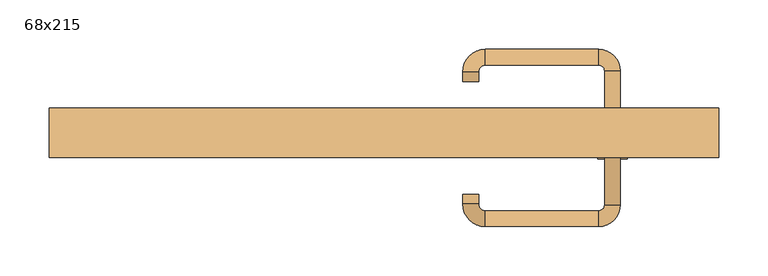
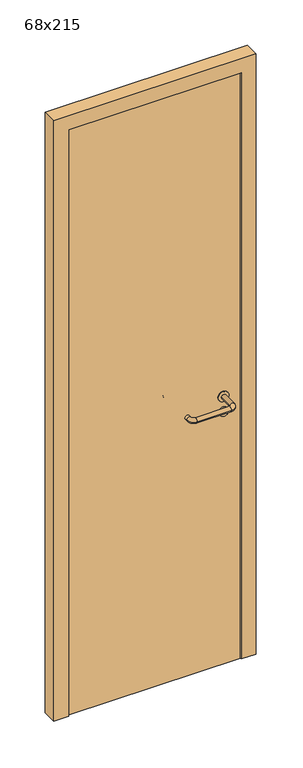
"""IFC4 building model written with IfcOpenShell, lengths in millimetres: door geometry, 68x215."""

import ifcopenshell
import ifcopenshell.guid

model = None  # the IFC model being written
_history = None  # IfcOwnerHistory: only IFC2X3 demands one
_inside = {}  # id of a spatial element -> (the spatial element, [elements in it])
_under = {}  # id of a project, library or spatial element -> (it, [spatial elements below it])
_declared = {}  # id of a project -> (the project, [libraries it declares])
_typed = {}  # id of a type object -> (the type object, [elements of that type])
_made_of = {}  # id of a material, layer set ... -> (it, [elements and type objects made of it])


def new_model(schema):
    """Start an empty IFC model of exactly this schema.

    Asked for "IFC4X3", IfcOpenShell would pick the latest addendum, in which some entities
    have other attributes; the version numbers below select the first issue.
    IFC2X3 requires an IfcOwnerHistory on every rooted entity: one is made here for all.
    """
    global model, _history
    if schema == "IFC4X3":
        model = ifcopenshell.file(schema_version=(4, 3, 0, 0))
    else:
        model = ifcopenshell.file(schema=schema)
    _inside.clear()
    _under.clear()
    _declared.clear()
    _typed.clear()
    _made_of.clear()
    _history = None
    if model.schema == "IFC2X3":
        org = make("IfcOrganization", Name="unknown")
        user = make(
            "IfcPersonAndOrganization",
            ThePerson=make("IfcPerson", FamilyName="unknown"),
            TheOrganization=org,
        )
        app = make(
            "IfcApplication",
            ApplicationDeveloper=org,
            Version="unknown",
            ApplicationFullName="unknown",
            ApplicationIdentifier="unknown",
        )
        _history = make(
            "IfcOwnerHistory",
            OwningUser=user,
            OwningApplication=app,
            ChangeAction="ADDED",
            CreationDate=0,
        )
    return model


def make(cls, **values):
    """One entity of the class cls with the attributes given. An attribute that is None is left unset."""
    return model.create_entity(
        cls, **{name: value for name, value in values.items() if value is not None}
    )


def rooted(cls, **values):
    """An entity with a GlobalId (a new one), such as an element, a storey or a relation."""
    return make(cls, GlobalId=ifcopenshell.guid.new(), OwnerHistory=_history, **values)


def si_unit(unit_type, name, prefix=None):
    """IfcSIUnit, for example si_unit("LENGTHUNIT", "METRE", prefix="MILLI")."""
    return make("IfcSIUnit", UnitType=unit_type, Prefix=prefix, Name=name)


def assignment(units):
    """IfcUnitAssignment: the units of a project."""
    return None if units is None else make("IfcUnitAssignment", Units=units)


def point(xyz):
    """IfcCartesianPoint."""
    return None if xyz is None else make("IfcCartesianPoint", Coordinates=xyz)


def direction(xyz):
    """IfcDirection."""
    return None if xyz is None else make("IfcDirection", DirectionRatios=xyz)


def frame(location, z_axis=None, x_axis=None):
    """IfcAxis2Placement3D, a coordinate frame: its origin and axes. An axis left out is left unset."""
    return make(
        "IfcAxis2Placement3D",
        Location=point(location),
        Axis=direction(z_axis),
        RefDirection=direction(x_axis),
    )


def frame_2d(location, x_axis=None):
    """IfcAxis2Placement2D, a coordinate frame in the plane: its origin and x axis."""
    return make(
        "IfcAxis2Placement2D", Location=point(location), RefDirection=direction(x_axis)
    )


def origin():
    """The frame at (0, 0, 0) with its axes left unset."""
    return frame((0.0, 0.0, 0.0))


def origin_with_axes():
    """The frame at (0, 0, 0) with the z axis (0, 0, 1) and the x axis (1, 0, 0) written out."""
    return frame((0.0, 0.0, 0.0), z_axis=(0.0, 0.0, 1.0), x_axis=(1.0, 0.0, 0.0))


def place(relative_to, where):
    """IfcLocalPlacement: puts the frame where relative to a parent placement (None: the world)."""
    return make(
        "IfcLocalPlacement", PlacementRelTo=relative_to, RelativePlacement=where
    )


def context(
    kind, dimensions, precision=None, world=None, true_north=None, identifier=None
):
    """IfcGeometricRepresentationContext, for example the 3D "Model" context."""
    return make(
        "IfcGeometricRepresentationContext",
        ContextIdentifier=identifier,
        ContextType=kind,
        CoordinateSpaceDimension=dimensions,
        Precision=precision,
        WorldCoordinateSystem=world,
        TrueNorth=true_north,
    )


def project(units=None, contexts=None):
    """IfcProject with its units and contexts."""
    return rooted(
        "IfcProject",
        Name="project",
        RepresentationContexts=contexts,
        UnitsInContext=assignment(units),
    )


def spatial(cls, under=None, at=None, **own):
    """A site, building, storey or space (cls), placed at a placement, below another one or the project."""
    s = rooted(cls, ObjectPlacement=at, **own)
    if under is not None:
        _under.setdefault(under.id(), (under, []))[1].append(s)
    return s


def polyline(points):
    """IfcPolyline through the points."""
    return make("IfcPolyline", Points=[point(p) for p in points])


def circle_curve(where, radius):
    """IfcCircle in the frame where."""
    return make("IfcCircle", Position=where, Radius=radius)


def ellipse_curve(where, semi_axis1, semi_axis2):
    """IfcEllipse in the frame where."""
    return make(
        "IfcEllipse", Position=where, SemiAxis1=semi_axis1, SemiAxis2=semi_axis2
    )


def trimmed(basis, trim1, trim2, sense, master):
    """IfcTrimmedCurve: the piece of a basis curve between two trims."""
    return make(
        "IfcTrimmedCurve",
        BasisCurve=basis,
        Trim1=trim1,
        Trim2=trim2,
        SenseAgreement=sense,
        MasterRepresentation=master,
    )


def segment(curve, same_sense, transition):
    """IfcCompositeCurveSegment."""
    return make(
        "IfcCompositeCurveSegment",
        Transition=transition,
        SameSense=same_sense,
        ParentCurve=curve,
    )


def composite_curve(segments, self_intersect=None):
    """IfcCompositeCurve: segments joined end to end."""
    return make("IfcCompositeCurve", Segments=segments, SelfIntersect=self_intersect)


def outline(outer, holes=None, kind="AREA"):
    """IfcArbitraryClosedProfileDef: a profile drawn as a closed curve; with holes, ...WithVoids."""
    if holes is None:
        return make("IfcArbitraryClosedProfileDef", ProfileType=kind, OuterCurve=outer)
    return make(
        "IfcArbitraryProfileDefWithVoids",
        ProfileType=kind,
        OuterCurve=outer,
        InnerCurves=holes,
    )


def extrude(swept, where, along, depth):
    """IfcExtrudedAreaSolid: the profile swept, set in the frame where, extruded along a direction by depth."""
    return make(
        "IfcExtrudedAreaSolid",
        SweptArea=swept,
        Position=where,
        ExtrudedDirection=direction(along),
        Depth=depth,
    )


def shape(context_of_items, identifier, shape_type, items):
    """IfcShapeRepresentation: the items that make up one representation, for example the "Body"."""
    return make(
        "IfcShapeRepresentation",
        ContextOfItems=context_of_items,
        RepresentationIdentifier=identifier,
        RepresentationType=shape_type,
        Items=items,
    )


def source(mapping_origin, context_of_items, identifier, shape_type, items):
    """IfcRepresentationMap: a shape defined once, which mapped items show again and again."""
    return make(
        "IfcRepresentationMap",
        MappingOrigin=mapping_origin,
        MappedRepresentation=shape(context_of_items, identifier, shape_type, items),
    )


def transform(
    local_origin,
    x_axis=None,
    y_axis=None,
    z_axis=None,
    scale=None,
    scale2=None,
    scale3=None,
    uniform=True,
):
    """IfcCartesianTransformationOperator3D, or its non-uniform kind. x_axis, y_axis, z_axis: its Axis1, 2, 3."""
    if uniform:
        return make(
            "IfcCartesianTransformationOperator3D",
            Axis1=direction(x_axis),
            Axis2=direction(y_axis),
            LocalOrigin=point(local_origin),
            Scale=scale,
            Axis3=direction(z_axis),
        )
    return make(
        "IfcCartesianTransformationOperator3DnonUniform",
        Axis1=direction(x_axis),
        Axis2=direction(y_axis),
        LocalOrigin=point(local_origin),
        Scale=scale,
        Axis3=direction(z_axis),
        Scale2=scale2,
        Scale3=scale3,
    )


def mapped(mapping_source, mapping_target):
    """IfcMappedItem: shows the shape of a source again, moved by a transform."""
    return make(
        "IfcMappedItem", MappingSource=mapping_source, MappingTarget=mapping_target
    )


def made_of(thing, what):
    """Note that an element or type object is made of a material, layer set ...; save() writes the relation."""
    if what is not None:
        _made_of.setdefault(what.id(), (what, []))[1].append(thing)
    return thing


def element(
    cls,
    number,
    at=None,
    inside=None,
    cuts=None,
    type_object=None,
    material=None,
    context=None,
    identifier="Body",
    shape_type=None,
    held_by="IfcProductDefinitionShape",
    body=None,
    shapes=None,
    **own,
):
    """One element of the class cls, such as IfcWall. Its Tag is "e" and its number.

    at: its placement. inside: the storey or other place that contains it. cuts: it is an
    opening in that element (IfcRelVoidsElement). A single representation is given by context,
    identifier, shape_type and body (its items); several are given by shapes. held_by: the class
    of the entity that holds the representations. save() writes the other relations.
    """
    e = rooted(cls, Tag="e%d" % number, ObjectPlacement=at, **own)
    if body is not None:
        shapes = [shape(context, identifier, shape_type, body)]
    if shapes is not None:
        e.Representation = make(held_by, Representations=shapes)
    if inside is not None:
        _inside.setdefault(inside.id(), (inside, []))[1].append(e)
    if cuts is not None:
        rooted(
            "IfcRelVoidsElement", RelatingBuildingElement=cuts, RelatedOpeningElement=e
        )
    if type_object is not None:
        _typed.setdefault(type_object.id(), (type_object, []))[1].append(e)
    return made_of(e, material)


def aggregate(whole, parts):
    """IfcRelAggregates: a whole, such as a stair, and the parts it consists of."""
    return rooted("IfcRelAggregates", RelatingObject=whole, RelatedObjects=parts)


def save(model, path):
    """Write the relations noted so far, then the file.

    IfcRelAggregates (storeys below a building ...), IfcRelContainedInSpatialStructure (elements
    in a storey), IfcRelDefinesByType, IfcRelAssociatesMaterial and IfcRelDeclares: one each for
    every whole, place, type object, material and project.
    """
    for whole, parts in _under.values():
        aggregate(whole, parts)
    for where, things in _inside.values():
        rooted(
            "IfcRelContainedInSpatialStructure",
            RelatedElements=things,
            RelatingStructure=where,
        )
    for kind, things in _typed.values():
        rooted("IfcRelDefinesByType", RelatedObjects=things, RelatingType=kind)
    for what, things in _made_of.values():
        rooted("IfcRelAssociatesMaterial", RelatedObjects=things, RelatingMaterial=what)
    for by, libraries in _declared.values():
        rooted("IfcRelDeclares", RelatingContext=by, RelatedDefinitions=libraries)
    model.write(path)


def plane_surface(at):
    """IfcPlane: the flat surface through the origin of the frame at, square to its z axis."""
    return make("IfcPlane", Position=at)


def cylinder_surface(at, radius):
    """IfcCylindricalSurface: all points at the distance radius from the z axis of the frame at."""
    return make("IfcCylindricalSurface", Position=at, Radius=radius)


def revolved_surface(curve, axis_point, axis_direction):
    """IfcSurfaceOfRevolution: the curve turned about the line through axis_point along axis_direction."""
    return make(
        "IfcSurfaceOfRevolution",
        SweptCurve=make("IfcArbitraryOpenProfileDef", ProfileType="CURVE", Curve=curve),
        AxisPosition=make("IfcAxis1Placement", Location=point(axis_point), Axis=direction(axis_direction)),
    )


def advanced_brep(points, edges, surfaces, faces):
    """IfcAdvancedBrep: a solid bounded by faces that lie on surfaces and meet in shared edges.

    An edge is (start, end): straight between two places in points (the first is 0);
    or (start, end, curve); or (start, end, curve, False) where it runs against its curve.
    A face is (place in surfaces, loops), or (place, loops, False) where it looks against
    its surface's normal. A loop lists edges by number (the first is 1), with a minus sign
    where the edge is run from its end to its start. The first loop is the outer one.
    """
    corners = [point(p) for p in points]
    vertices = [make("IfcVertexPoint", VertexGeometry=c) for c in corners]
    made = []
    for start, end, *more in edges:
        made.append(
            make(
                "IfcEdgeCurve",
                EdgeStart=vertices[start],
                EdgeEnd=vertices[end],
                EdgeGeometry=more[0] if more else make("IfcPolyline", Points=[corners[start], corners[end]]),
                SameSense=more[1] if len(more) > 1 else True,
            )
        )
    hull = []
    for where, loops, *sense in faces:
        bounds = []
        for j, loop in enumerate(loops):
            ring = [make("IfcOrientedEdge", EdgeElement=made[abs(k) - 1], Orientation=k > 0) for k in loop]
            bounds.append(
                make(
                    "IfcFaceOuterBound" if j == 0 else "IfcFaceBound",
                    Bound=make("IfcEdgeLoop", EdgeList=ring),
                    Orientation=True,
                )
            )
        hull.append(make("IfcAdvancedFace", Bounds=bounds, FaceSurface=surfaces[where], SameSense=sense[0] if sense else True))
    return make("IfcAdvancedBrep", Outer=make("IfcClosedShell", CfsFaces=hull))


def door_68x215_9396cc65(model_context):
    return source(origin(), model_context, "Body", "SolidModel", [
        extrude(outline(composite_curve([segment(trimmed(circle_curve(frame_2d((897.3605726, 232.0)), 15.0), [point((897.3605726, 247.0))], [point((897.3605726, 217.0))], False, "CARTESIAN"), True, "CONTINUOUS"), segment(trimmed(circle_curve(frame_2d((897.3605726, 232.0)), 15.0), [point((897.3605726, 217.0))], [point((897.3605726, 247.0))], False, "CARTESIAN"), True, "CONTINUOUS")], self_intersect=False), holes=[composite_curve([segment(trimmed(circle_curve(frame_2d((892.5833211, 231.9398032)), 2.0), [point((892.5833211, 233.9398032))], [point((892.5833211, 229.9398032))], True, "CARTESIAN"), True, "CONTINUOUS"), segment(polyline([(892.5833211, 229.9398032), (902.5833211, 229.9398032)]), True, "CONTINUOUS"), segment(trimmed(circle_curve(frame_2d((902.5833211, 231.9398032)), 2.0), [point((902.5833211, 229.9398032))], [point((902.5833211, 233.9398032))], True, "CARTESIAN"), True, "CONTINUOUS"), segment(polyline([(902.5833211, 233.9398032), (892.5833211, 233.9398032)]), True, "CONTINUOUS")], self_intersect=False)]), frame((0.0, -40.0, 0.0), z_axis=(0.0, 1.0, 0.0), x_axis=(0.0, 0.0, 1.0)), (0.0, 0.0, 1.0), 6.35),
        extrude(outline(composite_curve([segment(trimmed(circle_curve(frame_2d((950.0, 232.0)), 17.526), [point((950.0, 249.526))], [point((950.0, 214.474))], False, "CARTESIAN"), True, "CONTINUOUS"), segment(trimmed(circle_curve(frame_2d((950.0, 232.0)), 17.526), [point((950.0, 214.474))], [point((950.0, 249.526))], False, "CARTESIAN"), True, "CONTINUOUS")], self_intersect=False)), frame((0.0, -40.0, 0.0), z_axis=(0.0, 1.0, 0.0), x_axis=(0.0, 0.0, 1.0)), (0.0, 0.0, 1.0), 3.175),
        advanced_brep(
        [(240.0, -40.0, 950.0), (224.0, -40.0, 950.0), (240.0, 13.0, 950.0), (224.0, 13.0, 950.0), (217.8578644, 19.1421356, 950.0), (217.8578644, 35.1421356, 950.0), (102.8578644, 35.1421356, 950.0), (102.8578644, 19.1421356, 950.0), (96.008622, 12.2928932, 950.0), (80.008622, 12.2928932, 950.0), (80.008622, 2.2928932, 950.0), (96.008622, 2.2928932, 950.0)],
        [
            (0, 1, circle_curve(frame((232.0, -40.0, 950.0), z_axis=(0.0, -1.0, 0.0), x_axis=(-1.0, 0.0, 0.0)), 8.0)),
            (1, 0, circle_curve(frame((232.0, -40.0, 950.0), z_axis=(0.0, -1.0, 0.0), x_axis=(-1.0, 0.0, 0.0)), 8.0)),
            (0, 2),
            (2, 3, circle_curve(frame((232.0, 13.0, 950.0), z_axis=(0.0, -1.0, 0.0), x_axis=(-1.0, 0.0, 0.0)), 8.0)),
            (3, 1),
            (3, 2, circle_curve(frame((232.0, 13.0, 950.0), z_axis=(0.0, -1.0, 0.0), x_axis=(-1.0, 0.0, 0.0)), 8.0)),
            (4, 3, circle_curve(frame((217.8578644, 13.0, 950.0), z_axis=(0.0, 0.0, -1.0), x_axis=(1.0, 0.0, 0.0)), 6.1421356)),
            (2, 5, circle_curve(frame((217.8578644, 13.0, 950.0), z_axis=(0.0, 0.0, 1.0), x_axis=(1.0, 0.0, 0.0)), 22.1421356)),
            (5, 4, circle_curve(frame((217.8578644, 27.1421356, 950.0), z_axis=(1.0, 0.0, 0.0), x_axis=(0.0, -1.0, 0.0)), 8.0)),
            (4, 5, circle_curve(frame((217.8578644, 27.1421356, 950.0), z_axis=(1.0, 0.0, 0.0), x_axis=(0.0, -1.0, 0.0)), 8.0)),
            (5, 6),
            (6, 7, circle_curve(frame((102.8578644, 27.1421356, 950.0), z_axis=(1.0, 0.0, 0.0), x_axis=(0.0, -1.0, 0.0)), 8.0)),
            (7, 4),
            (7, 6, circle_curve(frame((102.8578644, 27.1421356, 950.0), z_axis=(1.0, 0.0, 0.0), x_axis=(0.0, -1.0, 0.0)), 8.0)),
            (8, 7, circle_curve(frame((102.8578644, 12.2928932, 950.0), z_axis=(0.0, 0.0, -1.0), x_axis=(0.0, 1.0, 0.0)), 6.8492424)),
            (6, 9, circle_curve(frame((102.8578644, 12.2928932, 950.0), z_axis=(0.0, 0.0, 1.0), x_axis=(0.0, 1.0, 0.0)), 22.8492424)),
            (9, 8, circle_curve(frame((88.008622, 12.2928932, 950.0), z_axis=(0.0, 1.0, 0.0), x_axis=(1.0, 0.0, 0.0)), 8.0)),
            (8, 9, circle_curve(frame((88.008622, 12.2928932, 950.0), z_axis=(0.0, 1.0, 0.0), x_axis=(1.0, 0.0, 0.0)), 8.0)),
            (10, 11, circle_curve(frame((88.008622, 2.2928932, 950.0), z_axis=(0.0, -1.0, 0.0), x_axis=(1.0, 0.0, 0.0)), 8.0)),
            (11, 10, circle_curve(frame((88.008622, 2.2928932, 950.0), z_axis=(0.0, -1.0, 0.0), x_axis=(1.0, 0.0, 0.0)), 8.0)),
            (9, 10),
            (11, 8),
        ],
        [
            plane_surface(frame((232.0, -40.0, 170.0), z_axis=(0.0, -1.0, 0.0), x_axis=(0.0, 0.0, 1.0))),
            cylinder_surface(frame((232.0, -40.0, 950.0), z_axis=(0.0, -1.0, 0.0), x_axis=(-1.0, 0.0, 0.0)), 8.0),
            revolved_surface(trimmed(ellipse_curve(frame((232.0, 13.0, 950.0), z_axis=(0.0, -1.0, 0.0), x_axis=(-1.0, 0.0, 0.0)), 8.0, 8.0), [point((240.0, 13.0, 950.0))], [point((224.0, 13.0, 950.0))], True, "CARTESIAN"), (217.8578644, 13.0, 170.0), (0.0, 0.0, 1.0)),
            revolved_surface(trimmed(ellipse_curve(frame((232.0, 13.0, 950.0), z_axis=(0.0, -1.0, 0.0), x_axis=(-1.0, 0.0, 0.0)), 8.0, 8.0), [point((224.0, 13.0, 950.0))], [point((240.0, 13.0, 950.0))], True, "CARTESIAN"), (217.8578644, 13.0, 170.0), (0.0, 0.0, 1.0)),
            cylinder_surface(frame((217.8578644, 27.1421356, 950.0), z_axis=(1.0, 0.0, 0.0), x_axis=(0.0, -1.0, 0.0)), 8.0),
            revolved_surface(trimmed(ellipse_curve(frame((102.8578644, 27.1421356, 950.0), z_axis=(1.0, 0.0, 0.0), x_axis=(0.0, -1.0, 0.0)), 8.0, 8.0), [point((102.8578644, 35.1421356, 950.0))], [point((102.8578644, 19.1421356, 950.0))], True, "CARTESIAN"), (102.8578644, 12.2928932, 170.0), (0.0, 0.0, 1.0)),
            revolved_surface(trimmed(ellipse_curve(frame((102.8578644, 27.1421356, 950.0), z_axis=(1.0, 0.0, 0.0), x_axis=(0.0, -1.0, 0.0)), 8.0, 8.0), [point((102.8578644, 19.1421356, 950.0))], [point((102.8578644, 35.1421356, 950.0))], True, "CARTESIAN"), (102.8578644, 12.2928932, 170.0), (0.0, 0.0, 1.0)),
            plane_surface(frame((88.008622, 2.2928932, 170.0), z_axis=(0.0, -1.0, 0.0), x_axis=(0.0, 0.0, 1.0))),
            cylinder_surface(frame((88.008622, 12.2928932, 950.0), z_axis=(0.0, 1.0, 0.0), x_axis=(1.0, 0.0, 0.0)), 8.0),
        ],
        [
            (0, [[1, 2]]),
            (1, [[-1, 3, 4, 5]]),
            (1, [[-2, -5, 6, -3]]),
            (2, [[7, -4, 8, 9]]),
            (3, [[-8, -6, -7, 10]]),
            (4, [[-9, 11, 12, 13]]),
            (4, [[-10, -13, 14, -11]]),
            (5, [[15, -12, 16, 17]]),
            (6, [[-16, -14, -15, 18]]),
            (7, [[19, 20]]),
            (8, [[-17, 21, -20, 22]]),
            (8, [[-18, -22, -19, -21]]),
        ],
    ),
        extrude(outline(composite_curve([segment(trimmed(circle_curve(frame_2d((0.0, 15.0)), 15.0), [point((0.0, 30.0))], [point((0.0, 0.0))], False, "CARTESIAN"), True, "CONTINUOUS"), segment(trimmed(circle_curve(frame_2d((0.0, 15.0)), 15.0), [point((0.0, 0.0))], [point((0.0, 30.0))], False, "CARTESIAN"), True, "CONTINUOUS")], self_intersect=False), holes=[composite_curve([segment(trimmed(circle_curve(frame_2d((-4.7772515, 14.9398032)), 2.0), [point((-4.7772515, 16.9398032))], [point((-4.7772515, 12.9398032))], True, "CARTESIAN"), True, "CONTINUOUS"), segment(polyline([(-4.7772515, 12.9398032), (5.2227485, 12.9398032)]), True, "CONTINUOUS"), segment(trimmed(circle_curve(frame_2d((5.2227485, 14.9398032)), 2.0), [point((5.2227485, 12.9398032))], [point((5.2227485, 16.9398032))], True, "CARTESIAN"), True, "CONTINUOUS"), segment(polyline([(5.2227485, 16.9398032), (-4.7772515, 16.9398032)]), True, "CONTINUOUS")], self_intersect=False)]), frame((217.0, -76.35, 897.3605726), z_axis=(-1.8870575173328306e-12, 1.0, 0.0), x_axis=(0.0, 0.0, 1.0)), (0.0, 0.0, 1.0), 6.35),
        extrude(outline(composite_curve([segment(trimmed(circle_curve(frame_2d((0.0, 17.526)), 17.526), [point((0.0, 35.052))], [point((0.0, 0.0))], False, "CARTESIAN"), True, "CONTINUOUS"), segment(trimmed(circle_curve(frame_2d((0.0, 17.526)), 17.526), [point((0.0, 0.0))], [point((0.0, 35.052))], False, "CARTESIAN"), True, "CONTINUOUS")], self_intersect=False)), frame((214.474, -73.175, 950.0), z_axis=(-1.8870575173328306e-12, 1.0, 0.0), x_axis=(0.0, 0.0, 1.0)), (0.0, 0.0, 1.0), 3.175),
        advanced_brep(
        [(240.0, -70.0, 950.0), (224.0, -70.0, 950.0), (224.0, -123.0, 950.0), (240.0, -123.0, 950.0), (217.8578644, -129.1421356, 950.0), (217.8578644, -145.1421356, 950.0), (102.8578644, -129.1421356, 950.0), (102.8578644, -145.1421356, 950.0), (96.008622, -122.2928932, 950.0), (80.008622, -122.2928932, 950.0), (80.008622, -112.2928932, 950.0), (96.008622, -112.2928932, 950.0)],
        [
            (0, 1, circle_curve(frame((232.0, -70.0, 950.0), z_axis=(-1.888672253512351e-12, 1.0, 0.0), x_axis=(-1.0, -1.888672253512351e-12, 0.0)), 8.0)),
            (1, 0, circle_curve(frame((232.0, -70.0, 950.0), z_axis=(-1.888672253512351e-12, 1.0, 0.0), x_axis=(-1.0, -1.888672253512351e-12, 0.0)), 8.0)),
            (1, 2),
            (2, 3, circle_curve(frame((232.0, -123.0, 950.0), z_axis=(-1.888672253512351e-12, 1.0, 0.0), x_axis=(-1.0, -1.888672253512351e-12, 0.0)), 8.0)),
            (3, 0),
            (3, 2, circle_curve(frame((232.0, -123.0, 950.0), z_axis=(-1.888672253512351e-12, 1.0, 0.0), x_axis=(-1.0, -1.888672253512351e-12, 0.0)), 8.0)),
            (4, 5, circle_curve(frame((217.8578644, -137.1421356, 950.0), z_axis=(1.0, 1.913702061528922e-12, 0.0), x_axis=(-1.913702061528922e-12, 1.0, 0.0)), 8.0)),
            (5, 3, circle_curve(frame((217.8578644, -123.0, 950.0), z_axis=(0.0, 0.0, 1.0), x_axis=(1.0, 1.880717803715015e-12, 0.0)), 22.1421356)),
            (2, 4, circle_curve(frame((217.8578644, -123.0, 950.0), z_axis=(0.0, 0.0, -1.0), x_axis=(1.0, 1.880717803715015e-12, 0.0)), 6.1421356)),
            (5, 4, circle_curve(frame((217.8578644, -137.1421356, 950.0), z_axis=(1.0, 1.913702061528922e-12, 0.0), x_axis=(-1.913702061528922e-12, 1.0, 0.0)), 8.0)),
            (4, 6),
            (6, 7, circle_curve(frame((102.8578644, -137.1421356, 950.0), z_axis=(1.0, 1.913719828541269e-12, 0.0), x_axis=(-1.913719828541269e-12, 1.0, 0.0)), 8.0)),
            (7, 5),
            (7, 6, circle_curve(frame((102.8578644, -137.1421356, 950.0), z_axis=(1.0, 1.913719828541269e-12, 0.0), x_axis=(-1.913719828541269e-12, 1.0, 0.0)), 8.0)),
            (8, 9, circle_curve(frame((88.008622, -122.2928932, 950.0), z_axis=(1.890226565746826e-12, -1.0, 0.0), x_axis=(1.0, 1.890226565746826e-12, 0.0)), 8.0)),
            (9, 7, circle_curve(frame((102.8578644, -122.2928932, 950.0), z_axis=(0.0, 0.0, 1.0), x_axis=(1.9120873253494017e-12, -1.0, 0.0)), 22.8492424)),
            (6, 8, circle_curve(frame((102.8578644, -122.2928932, 950.0), z_axis=(0.0, 0.0, -1.0), x_axis=(1.9120873253494017e-12, -1.0, 0.0)), 6.8492424)),
            (9, 8, circle_curve(frame((88.008622, -122.2928932, 950.0), z_axis=(1.890670654956676e-12, -1.0, 0.0), x_axis=(1.0, 1.890670654956676e-12, 0.0)), 8.0)),
            (10, 11, circle_curve(frame((88.008622, -112.2928932, 950.0), z_axis=(-1.8903642334018795e-12, 1.0, 0.0), x_axis=(1.0, 1.8903642334018795e-12, 0.0)), 8.0)),
            (11, 10, circle_curve(frame((88.008622, -112.2928932, 950.0), z_axis=(-1.8903642334018795e-12, 1.0, 0.0), x_axis=(1.0, 1.8903642334018795e-12, 0.0)), 8.0)),
            (8, 11),
            (10, 9),
        ],
        [
            plane_surface(frame((232.0, -70.0, 170.0), z_axis=(-1.8870575173328306e-12, 1.0, 0.0), x_axis=(0.0, 0.0, 1.0))),
            cylinder_surface(frame((232.0, -70.0, 950.0), z_axis=(-1.888672253512351e-12, 1.0, 0.0), x_axis=(-1.0, -1.888672253512351e-12, 0.0)), 8.0),
            revolved_surface(trimmed(ellipse_curve(frame((232.0, -123.0, 950.0), z_axis=(1.8823325398945356e-12, -1.0, 0.0), x_axis=(-1.0, -1.8823325398945356e-12, 0.0)), 8.0, 8.0), [point((240.0, -123.0, 950.0))], [point((224.0, -123.0, 950.0))], True, "CARTESIAN"), (217.8578644, -123.0, 170.0), (0.0, 0.0, 1.0)),
            revolved_surface(trimmed(ellipse_curve(frame((232.0, -123.0, 950.0), z_axis=(1.8823325398945356e-12, -1.0, 0.0), x_axis=(-1.0, -1.8823325398945356e-12, 0.0)), 8.0, 8.0), [point((224.0, -123.0, 950.0))], [point((240.0, -123.0, 950.0))], True, "CARTESIAN"), (217.8578644, -123.0, 170.0), (0.0, 0.0, 1.0)),
            cylinder_surface(frame((217.8578644, -137.1421356, 950.0), z_axis=(1.0, 1.913719828541269e-12, 0.0), x_axis=(-1.913719828541269e-12, 1.0, 0.0)), 8.0),
            revolved_surface(trimmed(ellipse_curve(frame((102.8578644, -137.1421356, 950.0), z_axis=(-1.0, -1.913702061528922e-12, 0.0), x_axis=(-1.913702061528922e-12, 1.0, 0.0)), 8.0, 8.0), [point((102.8578644, -145.1421356, 950.0))], [point((102.8578644, -129.1421356, 950.0))], True, "CARTESIAN"), (102.8578644, -122.2928932, 170.0), (0.0, 0.0, 1.0)),
            revolved_surface(trimmed(ellipse_curve(frame((102.8578644, -137.1421356, 950.0), z_axis=(-1.0, -1.913702061528922e-12, 0.0), x_axis=(-1.913702061528922e-12, 1.0, 0.0)), 8.0, 8.0), [point((102.8578644, -129.1421356, 950.0))], [point((102.8578644, -145.1421356, 950.0))], True, "CARTESIAN"), (102.8578644, -122.2928932, 170.0), (0.0, 0.0, 1.0)),
            plane_surface(frame((88.008622, -112.2928932, 170.0), z_axis=(-1.8887494972223595e-12, 1.0, 0.0), x_axis=(0.0, 0.0, 1.0))),
            cylinder_surface(frame((88.008622, -122.2928932, 950.0), z_axis=(1.8903642334018795e-12, -1.0, 0.0), x_axis=(1.0, 1.8903642334018795e-12, 0.0)), 8.0),
        ],
        [
            (0, [[1, 2]]),
            (1, [[3, 4, 5, -2]]),
            (1, [[-5, 6, -3, -1]]),
            (2, [[7, 8, -4, 9]]),
            (3, [[10, -9, -6, -8]]),
            (4, [[11, 12, 13, -7]]),
            (4, [[-13, 14, -11, -10]]),
            (5, [[15, 16, -12, 17]]),
            (6, [[18, -17, -14, -16]]),
            (7, [[19, 20]]),
            (8, [[21, -19, 22, -15]]),
            (8, [[-22, -20, -21, -18]]),
        ],
    ),
        extrude(outline(polyline([(2080.0, 290.0), (0.0, 290.0), (0.0, 340.0), (2130.0, 340.0), (2130.0, -340.0), (0.0, -340.0), (0.0, -290.0), (2080.0, -290.0), (2080.0, 290.0)])), frame((0.0, -75.0, 0.0), z_axis=(0.0, 1.0, 0.0), x_axis=(0.0, 0.0, 1.0)), (0.0, 0.0, 1.0), 50.0),
        extrude(outline(polyline([(-290.0, -70.0), (-290.0, -40.0), (290.0, -40.0), (290.0, -70.0), (-290.0, -70.0)])), origin_with_axes(), (0.0, 0.0, 1.0), 2080.0),
    ])


if __name__ == "__main__":
    model = new_model("IFC4")
    model_context = context("Model", 3, world=origin())
    ifc_project = project(units=[si_unit("LENGTHUNIT", "METRE", prefix="MILLI")], contexts=[model_context])
    site = spatial("IfcSite", under=ifc_project)
    building = spatial("IfcBuilding", under=site)
    placement = place(None, origin())
    door_68x215_shape = door_68x215_9396cc65(model_context)
    element("IfcDoor", 1, ObjectType="68x215", at=placement, inside=building, context=model_context, shape_type="MappedRepresentation", body=[
        mapped(door_68x215_shape, transform((0.0, 0.0, 0.0), x_axis=(1.0, 0.0, 0.0), y_axis=(0.0, 1.0, 0.0), z_axis=(0.0, 0.0, 1.0))),
    ])
    save(model, "model.ifc")
